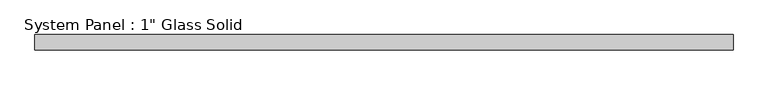
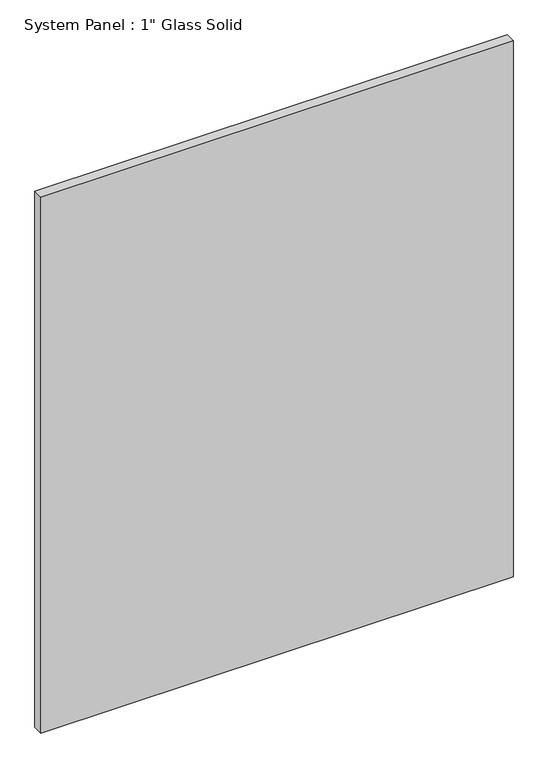
"""IFC4 building model written with IfcOpenShell, lengths in millimetres: plate geometry."""

from ifc_helpers import new_model, si_unit, origin, origin_with_axes, place, context, project, spatial, polyline, outline, extrude, source, transform, mapped, element, save


def plate_606688be(model_context):
    return source(origin(), model_context, "Body", "SweptSolid", [
        extrude(outline(polyline([(577.8508852, -12.7), (-577.8508852, -12.7), (-577.8508852, 12.7), (577.8508852, 12.7), (577.8508852, -12.7)])), origin_with_axes(), (0.0, 0.0, 1.0), 1386.6366382),
    ])


if __name__ == "__main__":
    model = new_model("IFC4")
    model_context = context("Model", 3, world=origin())
    ifc_project = project(units=[si_unit("LENGTHUNIT", "METRE", prefix="MILLI")], contexts=[model_context])
    site = spatial("IfcSite", under=ifc_project)
    building = spatial("IfcBuilding", under=site)
    placement = place(None, origin())
    plate_shape = plate_606688be(model_context)
    element("IfcPlate", 1, ObjectType="System Panel : 1\" Glass Solid", at=placement, inside=building, context=model_context, shape_type="MappedRepresentation", body=[
        mapped(plate_shape, transform((0.0, 0.0, 0.0), x_axis=(1.0, 0.0, 0.0), y_axis=(0.0, 1.0, 0.0), z_axis=(0.0, 0.0, 1.0))),
    ])
    save(model, "model.ifc")
